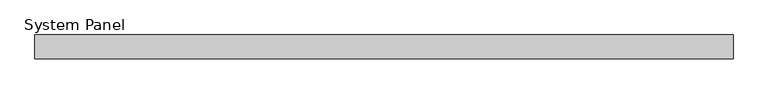
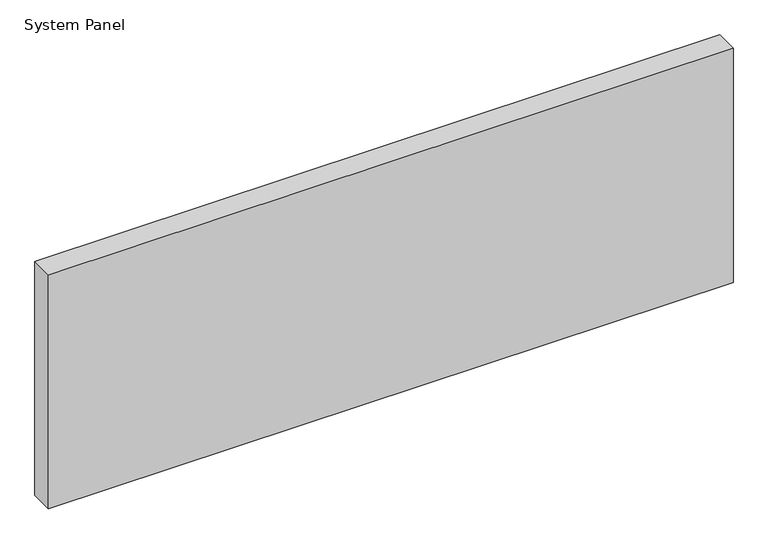
"""IFC4 building model written with IfcOpenShell, lengths in millimetres: plate geometry, System Panel."""

import ifcopenshell
import ifcopenshell.guid

model = None  # the IFC model being written
_history = None  # IfcOwnerHistory: only IFC2X3 demands one
_inside = {}  # id of a spatial element -> (the spatial element, [elements in it])
_under = {}  # id of a project, library or spatial element -> (it, [spatial elements below it])
_declared = {}  # id of a project -> (the project, [libraries it declares])
_typed = {}  # id of a type object -> (the type object, [elements of that type])
_made_of = {}  # id of a material, layer set ... -> (it, [elements and type objects made of it])


def new_model(schema):
    """Start an empty IFC model of exactly this schema.

    Asked for "IFC4X3", IfcOpenShell would pick the latest addendum, in which some entities
    have other attributes; the version numbers below select the first issue.
    IFC2X3 requires an IfcOwnerHistory on every rooted entity: one is made here for all.
    """
    global model, _history
    if schema == "IFC4X3":
        model = ifcopenshell.file(schema_version=(4, 3, 0, 0))
    else:
        model = ifcopenshell.file(schema=schema)
    _inside.clear()
    _under.clear()
    _declared.clear()
    _typed.clear()
    _made_of.clear()
    _history = None
    if model.schema == "IFC2X3":
        org = make("IfcOrganization", Name="unknown")
        user = make(
            "IfcPersonAndOrganization",
            ThePerson=make("IfcPerson", FamilyName="unknown"),
            TheOrganization=org,
        )
        app = make(
            "IfcApplication",
            ApplicationDeveloper=org,
            Version="unknown",
            ApplicationFullName="unknown",
            ApplicationIdentifier="unknown",
        )
        _history = make(
            "IfcOwnerHistory",
            OwningUser=user,
            OwningApplication=app,
            ChangeAction="ADDED",
            CreationDate=0,
        )
    return model


def make(cls, **values):
    """One entity of the class cls with the attributes given. An attribute that is None is left unset."""
    return model.create_entity(
        cls, **{name: value for name, value in values.items() if value is not None}
    )


def rooted(cls, **values):
    """An entity with a GlobalId (a new one), such as an element, a storey or a relation."""
    return make(cls, GlobalId=ifcopenshell.guid.new(), OwnerHistory=_history, **values)


def si_unit(unit_type, name, prefix=None):
    """IfcSIUnit, for example si_unit("LENGTHUNIT", "METRE", prefix="MILLI")."""
    return make("IfcSIUnit", UnitType=unit_type, Prefix=prefix, Name=name)


def assignment(units):
    """IfcUnitAssignment: the units of a project."""
    return None if units is None else make("IfcUnitAssignment", Units=units)


def point(xyz):
    """IfcCartesianPoint."""
    return None if xyz is None else make("IfcCartesianPoint", Coordinates=xyz)


def direction(xyz):
    """IfcDirection."""
    return None if xyz is None else make("IfcDirection", DirectionRatios=xyz)


def frame(location, z_axis=None, x_axis=None):
    """IfcAxis2Placement3D, a coordinate frame: its origin and axes. An axis left out is left unset."""
    return make(
        "IfcAxis2Placement3D",
        Location=point(location),
        Axis=direction(z_axis),
        RefDirection=direction(x_axis),
    )


def origin():
    """The frame at (0, 0, 0) with its axes left unset."""
    return frame((0.0, 0.0, 0.0))


def origin_with_axes():
    """The frame at (0, 0, 0) with the z axis (0, 0, 1) and the x axis (1, 0, 0) written out."""
    return frame((0.0, 0.0, 0.0), z_axis=(0.0, 0.0, 1.0), x_axis=(1.0, 0.0, 0.0))


def place(relative_to, where):
    """IfcLocalPlacement: puts the frame where relative to a parent placement (None: the world)."""
    return make(
        "IfcLocalPlacement", PlacementRelTo=relative_to, RelativePlacement=where
    )


def context(
    kind, dimensions, precision=None, world=None, true_north=None, identifier=None
):
    """IfcGeometricRepresentationContext, for example the 3D "Model" context."""
    return make(
        "IfcGeometricRepresentationContext",
        ContextIdentifier=identifier,
        ContextType=kind,
        CoordinateSpaceDimension=dimensions,
        Precision=precision,
        WorldCoordinateSystem=world,
        TrueNorth=true_north,
    )


def project(units=None, contexts=None):
    """IfcProject with its units and contexts."""
    return rooted(
        "IfcProject",
        Name="project",
        RepresentationContexts=contexts,
        UnitsInContext=assignment(units),
    )


def spatial(cls, under=None, at=None, **own):
    """A site, building, storey or space (cls), placed at a placement, below another one or the project."""
    s = rooted(cls, ObjectPlacement=at, **own)
    if under is not None:
        _under.setdefault(under.id(), (under, []))[1].append(s)
    return s


def polyline(points):
    """IfcPolyline through the points."""
    return make("IfcPolyline", Points=[point(p) for p in points])


def outline(outer, holes=None, kind="AREA"):
    """IfcArbitraryClosedProfileDef: a profile drawn as a closed curve; with holes, ...WithVoids."""
    if holes is None:
        return make("IfcArbitraryClosedProfileDef", ProfileType=kind, OuterCurve=outer)
    return make(
        "IfcArbitraryProfileDefWithVoids",
        ProfileType=kind,
        OuterCurve=outer,
        InnerCurves=holes,
    )


def extrude(swept, where, along, depth):
    """IfcExtrudedAreaSolid: the profile swept, set in the frame where, extruded along a direction by depth."""
    return make(
        "IfcExtrudedAreaSolid",
        SweptArea=swept,
        Position=where,
        ExtrudedDirection=direction(along),
        Depth=depth,
    )


def shape(context_of_items, identifier, shape_type, items):
    """IfcShapeRepresentation: the items that make up one representation, for example the "Body"."""
    return make(
        "IfcShapeRepresentation",
        ContextOfItems=context_of_items,
        RepresentationIdentifier=identifier,
        RepresentationType=shape_type,
        Items=items,
    )


def source(mapping_origin, context_of_items, identifier, shape_type, items):
    """IfcRepresentationMap: a shape defined once, which mapped items show again and again."""
    return make(
        "IfcRepresentationMap",
        MappingOrigin=mapping_origin,
        MappedRepresentation=shape(context_of_items, identifier, shape_type, items),
    )


def transform(
    local_origin,
    x_axis=None,
    y_axis=None,
    z_axis=None,
    scale=None,
    scale2=None,
    scale3=None,
    uniform=True,
):
    """IfcCartesianTransformationOperator3D, or its non-uniform kind. x_axis, y_axis, z_axis: its Axis1, 2, 3."""
    if uniform:
        return make(
            "IfcCartesianTransformationOperator3D",
            Axis1=direction(x_axis),
            Axis2=direction(y_axis),
            LocalOrigin=point(local_origin),
            Scale=scale,
            Axis3=direction(z_axis),
        )
    return make(
        "IfcCartesianTransformationOperator3DnonUniform",
        Axis1=direction(x_axis),
        Axis2=direction(y_axis),
        LocalOrigin=point(local_origin),
        Scale=scale,
        Axis3=direction(z_axis),
        Scale2=scale2,
        Scale3=scale3,
    )


def mapped(mapping_source, mapping_target):
    """IfcMappedItem: shows the shape of a source again, moved by a transform."""
    return make(
        "IfcMappedItem", MappingSource=mapping_source, MappingTarget=mapping_target
    )


def made_of(thing, what):
    """Note that an element or type object is made of a material, layer set ...; save() writes the relation."""
    if what is not None:
        _made_of.setdefault(what.id(), (what, []))[1].append(thing)
    return thing


def element(
    cls,
    number,
    at=None,
    inside=None,
    cuts=None,
    type_object=None,
    material=None,
    context=None,
    identifier="Body",
    shape_type=None,
    held_by="IfcProductDefinitionShape",
    body=None,
    shapes=None,
    **own,
):
    """One element of the class cls, such as IfcWall. Its Tag is "e" and its number.

    at: its placement. inside: the storey or other place that contains it. cuts: it is an
    opening in that element (IfcRelVoidsElement). A single representation is given by context,
    identifier, shape_type and body (its items); several are given by shapes. held_by: the class
    of the entity that holds the representations. save() writes the other relations.
    """
    e = rooted(cls, Tag="e%d" % number, ObjectPlacement=at, **own)
    if body is not None:
        shapes = [shape(context, identifier, shape_type, body)]
    if shapes is not None:
        e.Representation = make(held_by, Representations=shapes)
    if inside is not None:
        _inside.setdefault(inside.id(), (inside, []))[1].append(e)
    if cuts is not None:
        rooted(
            "IfcRelVoidsElement", RelatingBuildingElement=cuts, RelatedOpeningElement=e
        )
    if type_object is not None:
        _typed.setdefault(type_object.id(), (type_object, []))[1].append(e)
    return made_of(e, material)


def aggregate(whole, parts):
    """IfcRelAggregates: a whole, such as a stair, and the parts it consists of."""
    return rooted("IfcRelAggregates", RelatingObject=whole, RelatedObjects=parts)


def save(model, path):
    """Write the relations noted so far, then the file.

    IfcRelAggregates (storeys below a building ...), IfcRelContainedInSpatialStructure (elements
    in a storey), IfcRelDefinesByType, IfcRelAssociatesMaterial and IfcRelDeclares: one each for
    every whole, place, type object, material and project.
    """
    for whole, parts in _under.values():
        aggregate(whole, parts)
    for where, things in _inside.values():
        rooted(
            "IfcRelContainedInSpatialStructure",
            RelatedElements=things,
            RelatingStructure=where,
        )
    for kind, things in _typed.values():
        rooted("IfcRelDefinesByType", RelatedObjects=things, RelatingType=kind)
    for what, things in _made_of.values():
        rooted("IfcRelAssociatesMaterial", RelatedObjects=things, RelatingMaterial=what)
    for by, libraries in _declared.values():
        rooted("IfcRelDeclares", RelatingContext=by, RelatedDefinitions=libraries)
    model.write(path)


def system_panel_fa893742(model_context):
    return source(origin(), model_context, "Body", "SweptSolid", [
        extrude(outline(polyline([(587.5, -54.0), (-587.5, -54.0), (-587.5, -14.0), (587.5, -14.0), (587.5, -54.0)])), origin_with_axes(), (0.0, 0.0, 1.0), 425.0),
    ])


if __name__ == "__main__":
    model = new_model("IFC4")
    model_context = context("Model", 3, world=origin())
    ifc_project = project(units=[si_unit("LENGTHUNIT", "METRE", prefix="MILLI")], contexts=[model_context])
    site = spatial("IfcSite", under=ifc_project)
    building = spatial("IfcBuilding", under=site)
    placement = place(None, origin())
    system_panel_shape = system_panel_fa893742(model_context)
    element("IfcPlate", 1, ObjectType="System Panel", at=placement, inside=building, context=model_context, shape_type="MappedRepresentation", body=[
        mapped(system_panel_shape, transform((0.0, 0.0, 0.0), x_axis=(1.0, 0.0, 0.0), y_axis=(0.0, 1.0, 0.0), z_axis=(0.0, 0.0, 1.0))),
    ])
    save(model, "model.ifc")
